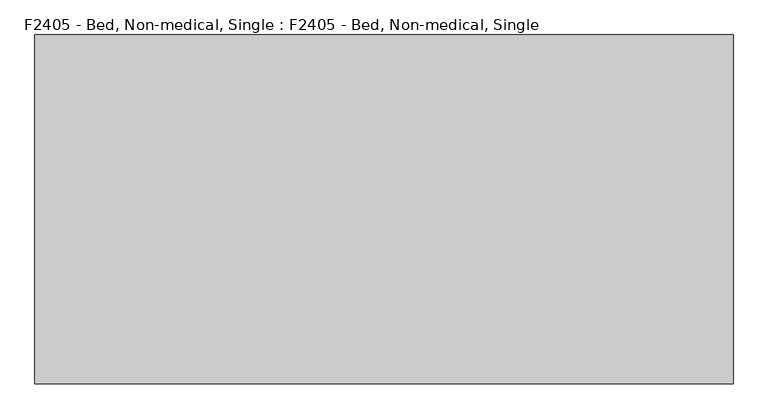
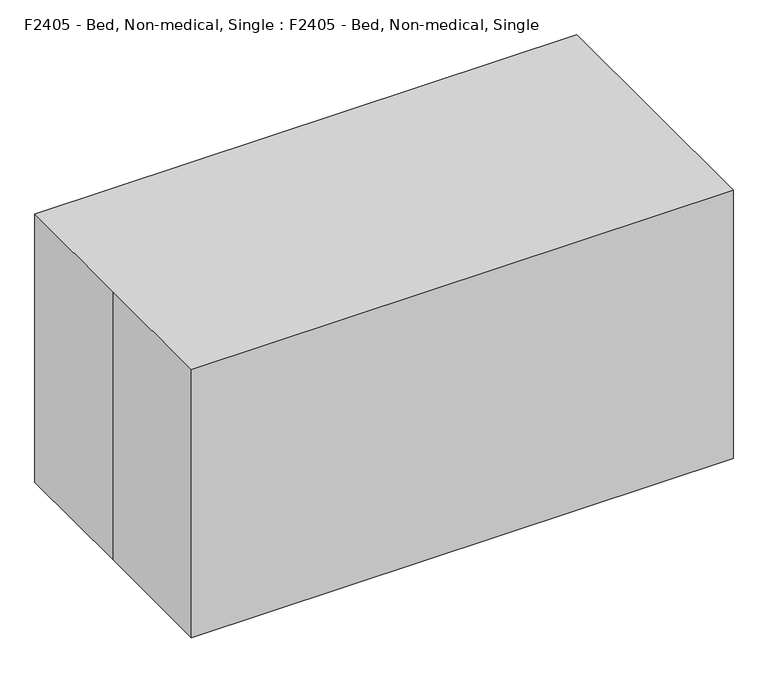
"""IFC4 building model written with IfcOpenShell, lengths in millimetres: proxy geometry, F2405 - Bed, Non-medical, Single : F2405 - Bed, Non-medical, Single."""

from ifc_helpers import new_model, si_unit, point, frame, frame_2d, origin, origin_with_axes, place, context, project, spatial, polyline, circle_curve, trimmed, segment, composite_curve, outline, extrude, source, transform, mapped, element, save


def f2405_bed_non_medical_single_f2405_bed_non_medical_single_f51b5c13(model_context):
    return source(origin(), model_context, "Body", "SweptSolid", [
        extrude(outline(polyline([(1009.65, 416.5460102), (1035.05, 416.5460102), (1035.05, -419.1), (1009.65, -419.1), (1009.65, 416.5460102)])), frame((0.0, 0.0, 355.6), z_axis=(0.0, 0.0, 1.0), x_axis=(1.0, 0.0, 0.0)), (0.0, 0.0, 1.0), 546.1),
        extrude(outline(polyline([(-1009.65, -419.1), (-1035.05, -419.1), (-1035.05, 416.5460102), (-1009.65, 416.5460102), (-1009.65, -419.1)])), frame((0.0, 0.0, 355.6), z_axis=(0.0, 0.0, 1.0), x_axis=(1.0, 0.0, 0.0)), (0.0, 0.0, 1.0), 241.3),
        extrude(outline(polyline([(1054.1, -419.1), (990.6, -419.1), (990.6, 419.1), (1054.1, 419.1), (1054.1, -419.1)])), frame((0.0, 0.0, 254.0), z_axis=(0.0, 0.0, 1.0), x_axis=(1.0, 0.0, 0.0)), (0.0, 0.0, 1.0), 101.6),
        extrude(outline(polyline([(1054.1, -419.1), (990.6, -419.1), (990.6, 419.1), (1054.1, 419.1), (1054.1, -419.1)])), frame((0.0, 0.0, 901.7), z_axis=(0.0, 0.0, 1.0), x_axis=(1.0, 0.0, 0.0)), (0.0, 0.0, 1.0), 63.5),
        extrude(outline(polyline([(-1054.1, -419.1), (-1054.1, 419.1), (-990.6, 419.1), (-990.6, -419.1), (-1054.1, -419.1)])), frame((0.0, 0.0, 254.0), z_axis=(0.0, 0.0, 1.0), x_axis=(1.0, 0.0, 0.0)), (0.0, 0.0, 1.0), 101.6),
        extrude(outline(polyline([(-1054.1, -419.1), (-1054.1, 419.1), (-990.6, 419.1), (-990.6, -419.1), (-1054.1, -419.1)])), frame((0.0, 0.0, 596.9), z_axis=(0.0, 0.0, 1.0), x_axis=(1.0, 0.0, 0.0)), (0.0, 0.0, 1.0), 63.5),
        extrude(outline(composite_curve([segment(polyline([(-931.5031306, 467.3460102), (922.6968694, 467.3460102)]), True, "CONTINUOUS"), segment(trimmed(circle_curve(frame_2d((922.6968694, 416.5460102)), 50.8), [point((922.6968694, 467.3460102))], [point((973.4968694, 416.5460102))], False, "CARTESIAN"), True, "CONTINUOUS"), segment(polyline([(973.4968694, 416.5460102), (973.4968694, -421.6539898)]), True, "CONTINUOUS"), segment(trimmed(circle_curve(frame_2d((922.6968694, -421.6539898)), 50.8), [point((973.4968694, -421.6539898))], [point((922.6968694, -472.4539898))], False, "CARTESIAN"), True, "CONTINUOUS"), segment(polyline([(922.6968694, -472.4539898), (-931.5031306, -472.4539898)]), True, "CONTINUOUS"), segment(trimmed(circle_curve(frame_2d((-931.5031306, -421.6539898)), 50.8), [point((-931.5031306, -472.4539898))], [point((-982.3031306, -421.6539898))], False, "CARTESIAN"), True, "CONTINUOUS"), segment(polyline([(-982.3031306, -421.6539898), (-982.3031306, 416.5460102)]), True, "CONTINUOUS"), segment(trimmed(circle_curve(frame_2d((-931.5031306, 416.5460102)), 50.8), [point((-982.3031306, 416.5460102))], [point((-931.5031306, 467.3460102))], False, "CARTESIAN"), True, "CONTINUOUS")], self_intersect=False)), frame((0.0, 0.0, 355.6), z_axis=(0.0, 0.0, 1.0), x_axis=(1.0, 0.0, 0.0)), (0.0, 0.0, 1.0), 152.4),
        extrude(outline(polyline([(990.6, -482.6), (-990.6, -482.6), (-990.6, 482.6), (990.6, 482.6), (990.6, -482.6)])), frame((0.0, 0.0, 254.0), z_axis=(0.0, 0.0, 1.0), x_axis=(1.0, 0.0, 0.0)), (0.0, 0.0, 1.0), 101.6),
        extrude(outline(polyline([(990.6, 482.6), (1054.1, 482.6), (1054.1, 419.1), (990.6, 419.1), (990.6, 482.6)])), origin_with_axes(), (0.0, 0.0, 1.0), 965.2),
        extrude(outline(polyline([(-990.6, 482.6), (-990.6, 419.1), (-1054.1, 419.1), (-1054.1, 482.6), (-990.6, 482.6)])), origin_with_axes(), (0.0, 0.0, 1.0), 660.4),
        extrude(outline(polyline([(990.6, -482.6), (990.6, -419.1), (1054.1, -419.1), (1054.1, -482.6), (990.6, -482.6)])), origin_with_axes(), (0.0, 0.0, 1.0), 965.2),
        extrude(outline(polyline([(-990.6, -482.6), (-1054.1, -482.6), (-1054.1, -419.1), (-990.6, -419.1), (-990.6, -482.6)])), origin_with_axes(), (0.0, 0.0, 1.0), 660.4),
        extrude(outline(polyline([(-1066.8, -533.4), (-1066.8, 0.0), (-1066.8, 533.4), (1066.8, 533.4), (1066.8, -533.4), (-1066.8, -533.4)])), origin_with_axes(), (0.0, 0.0, 1.0), 1117.6),
    ])


if __name__ == "__main__":
    model = new_model("IFC4")
    model_context = context("Model", 3, world=origin())
    ifc_project = project(units=[si_unit("LENGTHUNIT", "METRE", prefix="MILLI")], contexts=[model_context])
    site = spatial("IfcSite", under=ifc_project)
    building = spatial("IfcBuilding", under=site)
    placement = place(None, origin())
    f2405_bed_non_medical_single_f2405_bed_non_medical_single_shape = f2405_bed_non_medical_single_f2405_bed_non_medical_single_f51b5c13(model_context)
    element("IfcBuildingElementProxy", 1, Name="F2405 - Bed, Non-medical, Single : F2405 - Bed, Non-medical, Single", ObjectType="F2405 - Bed, Non-medical, Single : F2405 - Bed, Non-medical, Single", at=placement, inside=building, context=model_context, shape_type="MappedRepresentation", body=[
        mapped(f2405_bed_non_medical_single_f2405_bed_non_medical_single_shape, transform((0.0, 0.0, 0.0), x_axis=(1.0, 0.0, 0.0), y_axis=(0.0, 1.0, 0.0), z_axis=(0.0, 0.0, 1.0))),
    ])
    save(model, "model.ifc")
